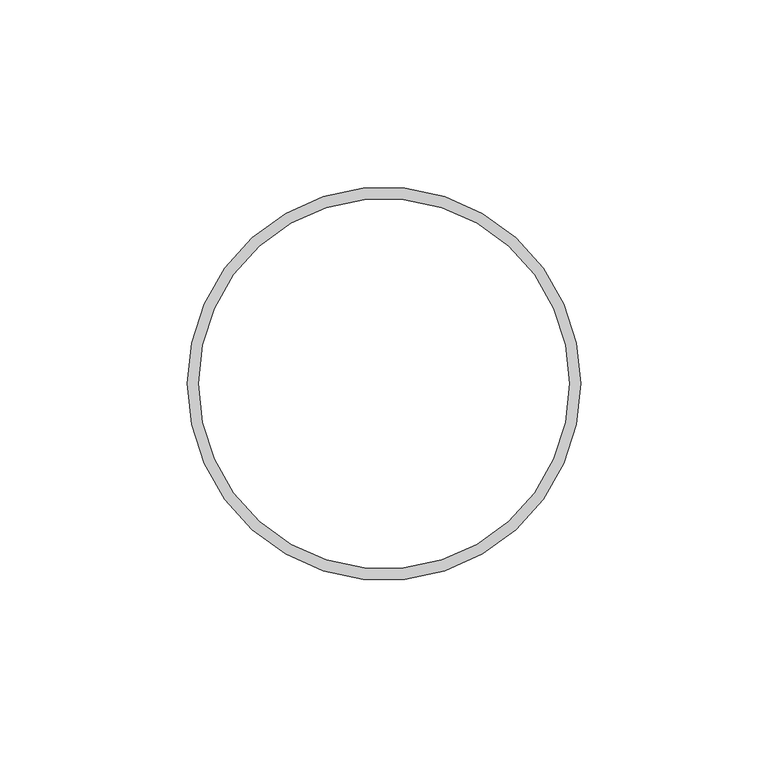
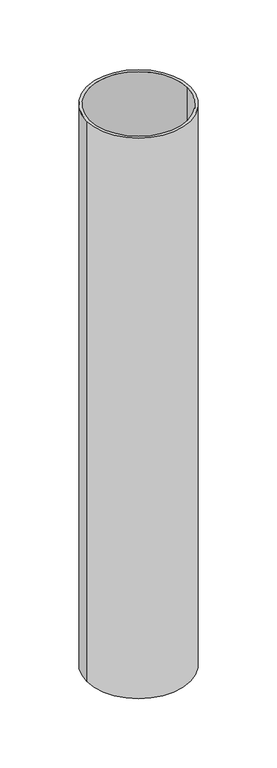
"""IFC4 building model written with IfcOpenShell, lengths in millimetres: beam geometry."""

from ifc_helpers import new_model, si_unit, point, frame, origin, origin_2d, place, context, project, spatial, circle_curve, trimmed, segment, composite_curve, outline, extrude, source, transform, mapped, element, save


def beam_6dac9359(model_context):
    return source(origin(), model_context, "Body", "SweptSolid", [
        extrude(outline(composite_curve([segment(trimmed(circle_curve(origin_2d(), 52.5), [point((52.5, 0.0))], [point((-52.5, 0.0))], False, "CARTESIAN"), True, "CONTINUOUS"), segment(trimmed(circle_curve(origin_2d(), 52.5), [point((-52.5, 0.0))], [point((52.5, 0.0))], False, "CARTESIAN"), True, "CONTINUOUS")], self_intersect=False), holes=[composite_curve([segment(trimmed(circle_curve(origin_2d(), 49.5), [point((49.5, 0.0))], [point((-49.5, 0.0))], True, "CARTESIAN"), True, "CONTINUOUS"), segment(trimmed(circle_curve(origin_2d(), 49.5), [point((-49.5, 0.0))], [point((49.5, 0.0))], True, "CARTESIAN"), True, "CONTINUOUS")], self_intersect=False)]), frame((0.0, 0.0, -600.0), z_axis=(0.0, 0.0, 1.0), x_axis=(1.0, 0.0, 0.0)), (0.0, 0.0, 1.0), 600.0),
    ])


if __name__ == "__main__":
    model = new_model("IFC4")
    model_context = context("Model", 3, world=origin())
    ifc_project = project(units=[si_unit("LENGTHUNIT", "METRE", prefix="MILLI")], contexts=[model_context])
    site = spatial("IfcSite", under=ifc_project)
    building = spatial("IfcBuilding", under=site)
    placement = place(None, origin())
    beam_shape = beam_6dac9359(model_context)
    element("IfcBeam", 1, at=placement, inside=building, context=model_context, shape_type="MappedRepresentation", body=[
        mapped(beam_shape, transform((0.0, 0.0, 0.0), x_axis=(1.0, 0.0, 0.0), y_axis=(0.0, 1.0, 0.0), z_axis=(0.0, 0.0, 1.0))),
    ])
    save(model, "model.ifc")
